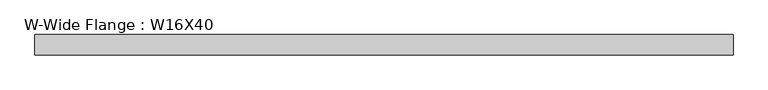
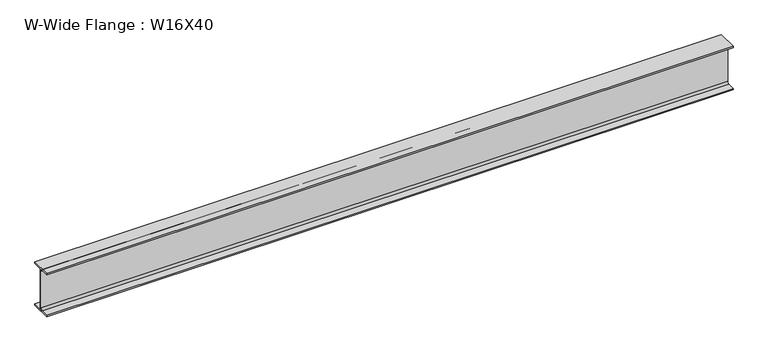
"""IFC4 building model written with IfcOpenShell, lengths in millimetres: beam geometry, W-Wide Flange : W16X40."""

from ifc_helpers import new_model, si_unit, point, frame, frame_2d, origin, place, context, project, spatial, polyline, circle_curve, trimmed, segment, composite_curve, outline, extrude, source, transform, mapped, element, save


def w_wide_flange_w16x40_7ba6a5f2(model_context):
    return source(origin(), model_context, "Body", "SweptSolid", [
        extrude(outline(composite_curve([segment(polyline([(88.9, -190.4), (88.9, -203.2), (-88.9, -203.2), (-88.9, -190.4), (-21.25, -190.4)]), True, "CONTINUOUS"), segment(trimmed(circle_curve(frame_2d((-21.25, -173.0)), 17.4), [point((-21.25, -190.4))], [point((-3.85, -173.0))], True, "CARTESIAN"), True, "CONTINUOUS"), segment(polyline([(-3.85, -173.0), (-3.85, 173.0)]), True, "CONTINUOUS"), segment(trimmed(circle_curve(frame_2d((-21.25, 173.0)), 17.4), [point((-3.85, 173.0))], [point((-21.25, 190.4))], True, "CARTESIAN"), True, "CONTINUOUS"), segment(polyline([(-21.25, 190.4), (-88.9, 190.4), (-88.9, 203.2), (88.9, 203.2), (88.9, 190.4), (21.25, 190.4)]), True, "CONTINUOUS"), segment(trimmed(circle_curve(frame_2d((21.25, 173.0)), 17.4), [point((21.25, 190.4))], [point((3.85, 173.0))], True, "CARTESIAN"), True, "CONTINUOUS"), segment(polyline([(3.85, 173.0), (3.85, -173.0)]), True, "CONTINUOUS"), segment(trimmed(circle_curve(frame_2d((21.25, -173.0)), 17.4), [point((3.85, -173.0))], [point((21.25, -190.4))], True, "CARTESIAN"), True, "CONTINUOUS"), segment(polyline([(21.25, -190.4), (88.9, -190.4)]), True, "CONTINUOUS")], self_intersect=False)), frame((-724.5826718, 0.0, 0.0), z_axis=(1.0, 0.0, 0.0), x_axis=(0.0, 1.0, 0.0)), (0.0, 0.0, 1.0), 6075.6417879),
    ])


if __name__ == "__main__":
    model = new_model("IFC4")
    model_context = context("Model", 3, world=origin())
    ifc_project = project(units=[si_unit("LENGTHUNIT", "METRE", prefix="MILLI")], contexts=[model_context])
    site = spatial("IfcSite", under=ifc_project)
    building = spatial("IfcBuilding", under=site)
    placement = place(None, origin())
    w_wide_flange_w16x40_shape = w_wide_flange_w16x40_7ba6a5f2(model_context)
    element("IfcBeam", 1, ObjectType="W-Wide Flange : W16X40", at=placement, inside=building, context=model_context, shape_type="MappedRepresentation", body=[
        mapped(w_wide_flange_w16x40_shape, transform((0.0, 0.0, 0.0), x_axis=(1.0, 0.0, 0.0), y_axis=(0.0, 1.0, 0.0), z_axis=(0.0, 0.0, 1.0))),
    ])
    save(model, "model.ifc")
